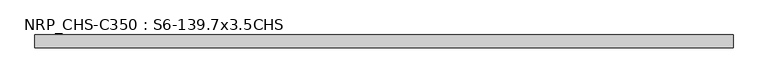
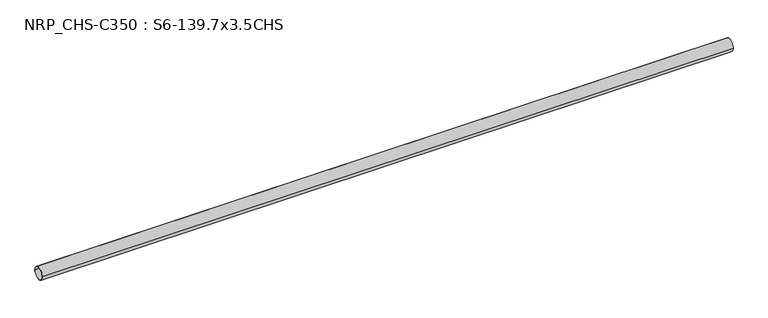
"""IFC4 building model written with IfcOpenShell, lengths in millimetres: beam geometry, NRP_CHS-C350 : S6-139.7x3.5CHS."""

from ifc_helpers import new_model, si_unit, point, frame, origin, origin_2d, place, context, project, spatial, circle_curve, trimmed, segment, composite_curve, outline, extrude, source, transform, mapped, element, save


def nrp_chs_c350_s6_139_7x3_5chs_641751f4(model_context):
    return source(origin(), model_context, "Body", "SweptSolid", [
        extrude(outline(composite_curve([segment(trimmed(circle_curve(origin_2d(), 69.85), [point((69.85, 0.0))], [point((-69.85, 0.0))], False, "CARTESIAN"), True, "CONTINUOUS"), segment(trimmed(circle_curve(origin_2d(), 69.85), [point((-69.85, 0.0))], [point((69.85, 0.0))], False, "CARTESIAN"), True, "CONTINUOUS")], self_intersect=False), holes=[composite_curve([segment(trimmed(circle_curve(origin_2d(), 66.35), [point((-66.35, 0.0))], [point((66.35, 0.0))], True, "CARTESIAN"), True, "CONTINUOUS"), segment(trimmed(circle_curve(origin_2d(), 66.35), [point((66.35, 0.0))], [point((-66.35, 0.0))], True, "CARTESIAN"), True, "CONTINUOUS")], self_intersect=False)]), frame((-3849.15, 0.0, 0.0), z_axis=(1.0, 0.0, 0.0), x_axis=(0.0, 1.0, 0.0)), (0.0, 0.0, 1.0), 7631.5),
    ])


if __name__ == "__main__":
    model = new_model("IFC4")
    model_context = context("Model", 3, world=origin())
    ifc_project = project(units=[si_unit("LENGTHUNIT", "METRE", prefix="MILLI")], contexts=[model_context])
    site = spatial("IfcSite", under=ifc_project)
    building = spatial("IfcBuilding", under=site)
    placement = place(None, origin())
    nrp_chs_c350_s6_139_7x3_5chs_shape = nrp_chs_c350_s6_139_7x3_5chs_641751f4(model_context)
    element("IfcBeam", 1, ObjectType="NRP_CHS-C350 : S6-139.7x3.5CHS", at=placement, inside=building, context=model_context, shape_type="MappedRepresentation", body=[
        mapped(nrp_chs_c350_s6_139_7x3_5chs_shape, transform((0.0, 0.0, 0.0), x_axis=(1.0, 0.0, 0.0), y_axis=(0.0, 1.0, 0.0), z_axis=(0.0, 0.0, 1.0))),
    ])
    save(model, "model.ifc")
